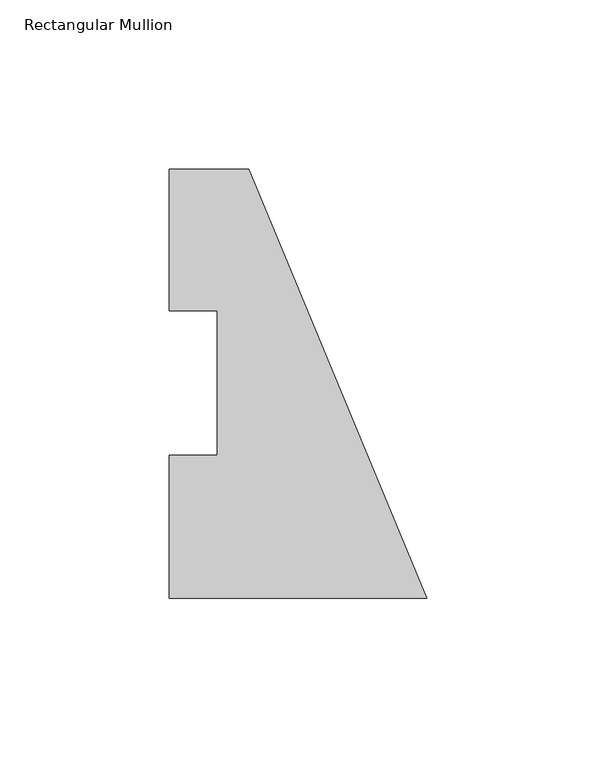
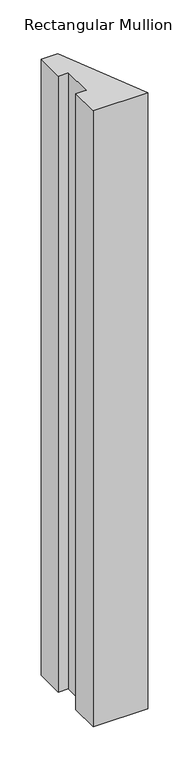
"""IFC4 building model written with IfcOpenShell, lengths in millimetres: member geometry, Rectangular Mullion."""

from ifc_helpers import new_model, si_unit, frame, origin, place, context, project, spatial, polyline, outline, extrude, source, transform, mapped, element, save


def rectangular_mullion_d9b58c0d(model_context):
    return source(origin(), model_context, "Body", "SweptSolid", [
        extrude(outline(polyline([(0.0, -0.0294092), (-76.2, -0.0294092), (-76.2, 42.2798875), (-61.9125, 42.2798875), (-61.9125, 85.1296875), (-76.2, 85.1296875), (-76.2, 126.9705908), (-52.6051224, 126.9705908), (0.0, -0.0294092)])), frame((0.0, 0.0, -914.4), z_axis=(0.0, 0.0, 1.0), x_axis=(1.0, 0.0, 0.0)), (0.0, 0.0, 1.0), 914.4),
    ])


if __name__ == "__main__":
    model = new_model("IFC4")
    model_context = context("Model", 3, world=origin())
    ifc_project = project(units=[si_unit("LENGTHUNIT", "METRE", prefix="MILLI")], contexts=[model_context])
    site = spatial("IfcSite", under=ifc_project)
    building = spatial("IfcBuilding", under=site)
    placement = place(None, origin())
    rectangular_mullion_shape = rectangular_mullion_d9b58c0d(model_context)
    element("IfcMember", 1, ObjectType="Rectangular Mullion", at=placement, inside=building, context=model_context, shape_type="MappedRepresentation", body=[
        mapped(rectangular_mullion_shape, transform((0.0, 0.0, 0.0), x_axis=(1.0, 0.0, 0.0), y_axis=(0.0, 1.0, 0.0), z_axis=(0.0, 0.0, 1.0))),
    ])
    save(model, "model.ifc")
